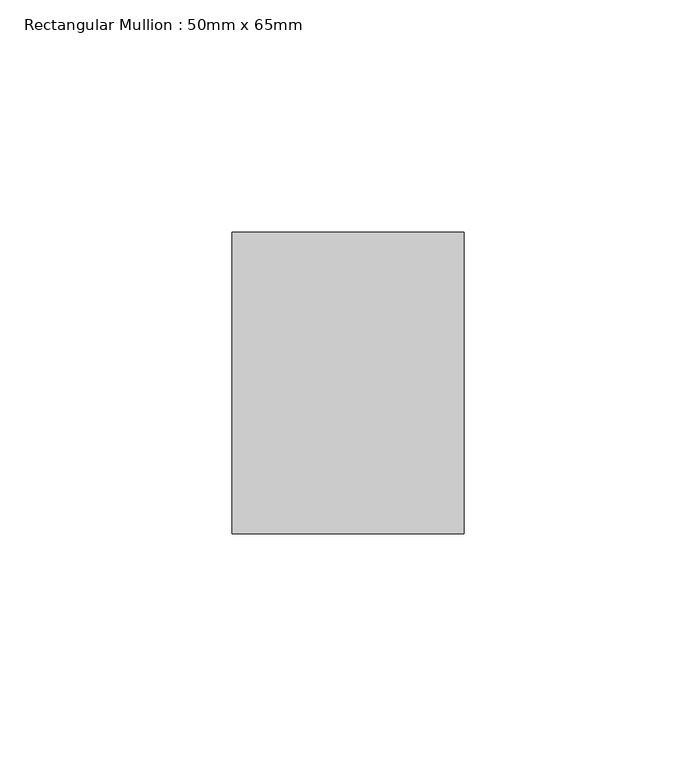
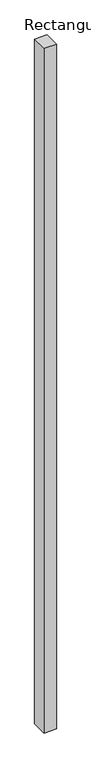
"""IFC4 building model written with IfcOpenShell, lengths in millimetres: member geometry, Rectangular Mullion : 50mm x 65mm."""

from ifc_helpers import new_model, si_unit, frame, origin, place, context, project, spatial, polyline, outline, extrude, source, transform, mapped, element, save


def rectangular_mullion_50mm_x_65mm_236bf960(model_context):
    return source(origin(), model_context, "Body", "SweptSolid", [
        extrude(outline(polyline([(25.0, 32.5), (25.0, -32.5), (-25.0, -32.5), (-25.0, 32.5), (25.0, 32.5)])), frame((0.0, 0.0, -2924.9793925), z_axis=(0.0, 0.0, 1.0), x_axis=(1.0, 0.0, 0.0)), (0.0, 0.0, 1.0), 2924.9793925),
    ])


if __name__ == "__main__":
    model = new_model("IFC4")
    model_context = context("Model", 3, world=origin())
    ifc_project = project(units=[si_unit("LENGTHUNIT", "METRE", prefix="MILLI")], contexts=[model_context])
    site = spatial("IfcSite", under=ifc_project)
    building = spatial("IfcBuilding", under=site)
    placement = place(None, origin())
    rectangular_mullion_50mm_x_65mm_shape = rectangular_mullion_50mm_x_65mm_236bf960(model_context)
    element("IfcMember", 1, ObjectType="Rectangular Mullion : 50mm x 65mm", at=placement, inside=building, context=model_context, shape_type="MappedRepresentation", body=[
        mapped(rectangular_mullion_50mm_x_65mm_shape, transform((0.0, 0.0, 0.0), x_axis=(1.0, 0.0, 0.0), y_axis=(0.0, 1.0, 0.0), z_axis=(0.0, 0.0, 1.0))),
    ])
    save(model, "model.ifc")
